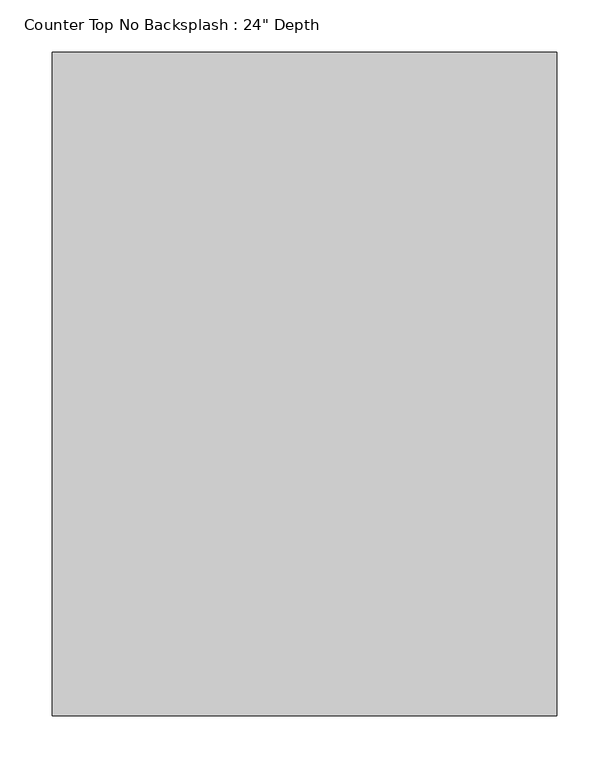
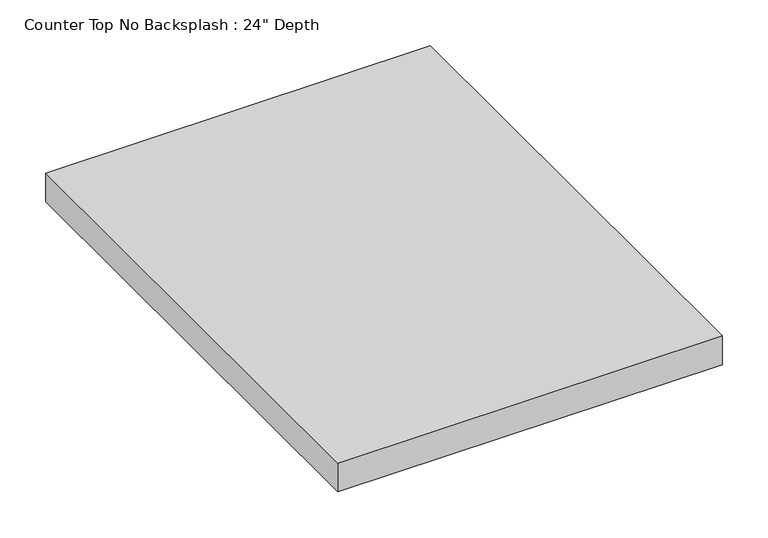
"""IFC4 building model written with IfcOpenShell, lengths in millimetres: furniture geometry."""

from ifc_helpers import new_model, si_unit, frame, origin, place, context, project, spatial, polyline, outline, extrude, source, transform, mapped, element, save


def furniture_267a8807(model_context):
    return source(origin(), model_context, "Body", "SweptSolid", [
        extrude(outline(polyline([(-717.8622951, 0.0), (-717.8622951, -635.0), (-1200.4622951, -635.0), (-1200.4622951, 0.0), (-717.8622951, 0.0)])), frame((0.0, 0.0, 876.3), z_axis=(0.0, 0.0, 1.0), x_axis=(1.0, 0.0, 0.0)), (0.0, 0.0, 1.0), 38.1),
    ])


if __name__ == "__main__":
    model = new_model("IFC4")
    model_context = context("Model", 3, world=origin())
    ifc_project = project(units=[si_unit("LENGTHUNIT", "METRE", prefix="MILLI")], contexts=[model_context])
    site = spatial("IfcSite", under=ifc_project)
    building = spatial("IfcBuilding", under=site)
    placement = place(None, origin())
    furniture_shape = furniture_267a8807(model_context)
    element("IfcFurniture", 1, ObjectType="Counter Top No Backsplash : 24\" Depth", at=placement, inside=building, context=model_context, shape_type="MappedRepresentation", body=[
        mapped(furniture_shape, transform((0.0, 0.0, 0.0), x_axis=(1.0, 0.0, 0.0), y_axis=(0.0, 1.0, 0.0), z_axis=(0.0, 0.0, 1.0))),
    ])
    save(model, "model.ifc")
